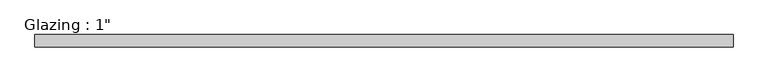
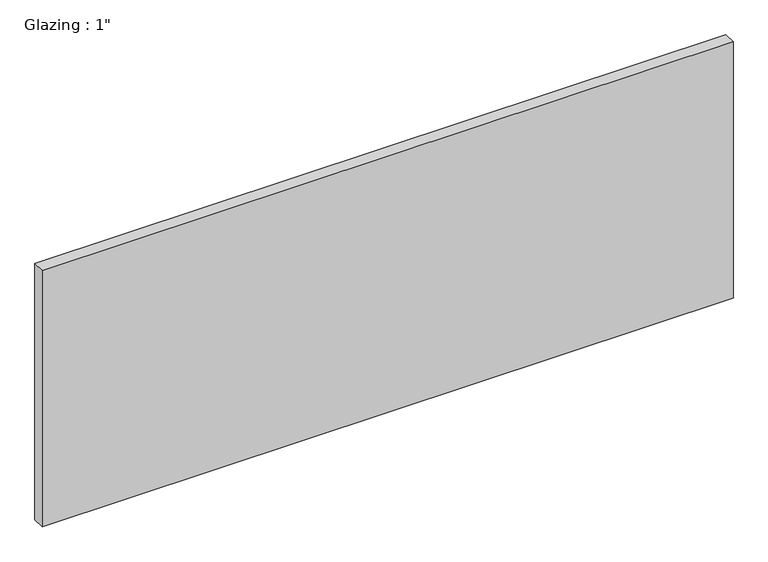
"""IFC4 building model written with IfcOpenShell, lengths in millimetres: plate geometry."""

import ifcopenshell
import ifcopenshell.guid

model = None  # the IFC model being written
_history = None  # IfcOwnerHistory: only IFC2X3 demands one
_inside = {}  # id of a spatial element -> (the spatial element, [elements in it])
_under = {}  # id of a project, library or spatial element -> (it, [spatial elements below it])
_declared = {}  # id of a project -> (the project, [libraries it declares])
_typed = {}  # id of a type object -> (the type object, [elements of that type])
_made_of = {}  # id of a material, layer set ... -> (it, [elements and type objects made of it])


def new_model(schema):
    """Start an empty IFC model of exactly this schema.

    Asked for "IFC4X3", IfcOpenShell would pick the latest addendum, in which some entities
    have other attributes; the version numbers below select the first issue.
    IFC2X3 requires an IfcOwnerHistory on every rooted entity: one is made here for all.
    """
    global model, _history
    if schema == "IFC4X3":
        model = ifcopenshell.file(schema_version=(4, 3, 0, 0))
    else:
        model = ifcopenshell.file(schema=schema)
    _inside.clear()
    _under.clear()
    _declared.clear()
    _typed.clear()
    _made_of.clear()
    _history = None
    if model.schema == "IFC2X3":
        org = make("IfcOrganization", Name="unknown")
        user = make(
            "IfcPersonAndOrganization",
            ThePerson=make("IfcPerson", FamilyName="unknown"),
            TheOrganization=org,
        )
        app = make(
            "IfcApplication",
            ApplicationDeveloper=org,
            Version="unknown",
            ApplicationFullName="unknown",
            ApplicationIdentifier="unknown",
        )
        _history = make(
            "IfcOwnerHistory",
            OwningUser=user,
            OwningApplication=app,
            ChangeAction="ADDED",
            CreationDate=0,
        )
    return model


def make(cls, **values):
    """One entity of the class cls with the attributes given. An attribute that is None is left unset."""
    return model.create_entity(
        cls, **{name: value for name, value in values.items() if value is not None}
    )


def rooted(cls, **values):
    """An entity with a GlobalId (a new one), such as an element, a storey or a relation."""
    return make(cls, GlobalId=ifcopenshell.guid.new(), OwnerHistory=_history, **values)


def si_unit(unit_type, name, prefix=None):
    """IfcSIUnit, for example si_unit("LENGTHUNIT", "METRE", prefix="MILLI")."""
    return make("IfcSIUnit", UnitType=unit_type, Prefix=prefix, Name=name)


def assignment(units):
    """IfcUnitAssignment: the units of a project."""
    return None if units is None else make("IfcUnitAssignment", Units=units)


def point(xyz):
    """IfcCartesianPoint."""
    return None if xyz is None else make("IfcCartesianPoint", Coordinates=xyz)


def direction(xyz):
    """IfcDirection."""
    return None if xyz is None else make("IfcDirection", DirectionRatios=xyz)


def frame(location, z_axis=None, x_axis=None):
    """IfcAxis2Placement3D, a coordinate frame: its origin and axes. An axis left out is left unset."""
    return make(
        "IfcAxis2Placement3D",
        Location=point(location),
        Axis=direction(z_axis),
        RefDirection=direction(x_axis),
    )


def origin():
    """The frame at (0, 0, 0) with its axes left unset."""
    return frame((0.0, 0.0, 0.0))


def origin_with_axes():
    """The frame at (0, 0, 0) with the z axis (0, 0, 1) and the x axis (1, 0, 0) written out."""
    return frame((0.0, 0.0, 0.0), z_axis=(0.0, 0.0, 1.0), x_axis=(1.0, 0.0, 0.0))


def place(relative_to, where):
    """IfcLocalPlacement: puts the frame where relative to a parent placement (None: the world)."""
    return make(
        "IfcLocalPlacement", PlacementRelTo=relative_to, RelativePlacement=where
    )


def context(
    kind, dimensions, precision=None, world=None, true_north=None, identifier=None
):
    """IfcGeometricRepresentationContext, for example the 3D "Model" context."""
    return make(
        "IfcGeometricRepresentationContext",
        ContextIdentifier=identifier,
        ContextType=kind,
        CoordinateSpaceDimension=dimensions,
        Precision=precision,
        WorldCoordinateSystem=world,
        TrueNorth=true_north,
    )


def project(units=None, contexts=None):
    """IfcProject with its units and contexts."""
    return rooted(
        "IfcProject",
        Name="project",
        RepresentationContexts=contexts,
        UnitsInContext=assignment(units),
    )


def spatial(cls, under=None, at=None, **own):
    """A site, building, storey or space (cls), placed at a placement, below another one or the project."""
    s = rooted(cls, ObjectPlacement=at, **own)
    if under is not None:
        _under.setdefault(under.id(), (under, []))[1].append(s)
    return s


def polyline(points):
    """IfcPolyline through the points."""
    return make("IfcPolyline", Points=[point(p) for p in points])


def outline(outer, holes=None, kind="AREA"):
    """IfcArbitraryClosedProfileDef: a profile drawn as a closed curve; with holes, ...WithVoids."""
    if holes is None:
        return make("IfcArbitraryClosedProfileDef", ProfileType=kind, OuterCurve=outer)
    return make(
        "IfcArbitraryProfileDefWithVoids",
        ProfileType=kind,
        OuterCurve=outer,
        InnerCurves=holes,
    )


def extrude(swept, where, along, depth):
    """IfcExtrudedAreaSolid: the profile swept, set in the frame where, extruded along a direction by depth."""
    return make(
        "IfcExtrudedAreaSolid",
        SweptArea=swept,
        Position=where,
        ExtrudedDirection=direction(along),
        Depth=depth,
    )


def shape(context_of_items, identifier, shape_type, items):
    """IfcShapeRepresentation: the items that make up one representation, for example the "Body"."""
    return make(
        "IfcShapeRepresentation",
        ContextOfItems=context_of_items,
        RepresentationIdentifier=identifier,
        RepresentationType=shape_type,
        Items=items,
    )


def source(mapping_origin, context_of_items, identifier, shape_type, items):
    """IfcRepresentationMap: a shape defined once, which mapped items show again and again."""
    return make(
        "IfcRepresentationMap",
        MappingOrigin=mapping_origin,
        MappedRepresentation=shape(context_of_items, identifier, shape_type, items),
    )


def transform(
    local_origin,
    x_axis=None,
    y_axis=None,
    z_axis=None,
    scale=None,
    scale2=None,
    scale3=None,
    uniform=True,
):
    """IfcCartesianTransformationOperator3D, or its non-uniform kind. x_axis, y_axis, z_axis: its Axis1, 2, 3."""
    if uniform:
        return make(
            "IfcCartesianTransformationOperator3D",
            Axis1=direction(x_axis),
            Axis2=direction(y_axis),
            LocalOrigin=point(local_origin),
            Scale=scale,
            Axis3=direction(z_axis),
        )
    return make(
        "IfcCartesianTransformationOperator3DnonUniform",
        Axis1=direction(x_axis),
        Axis2=direction(y_axis),
        LocalOrigin=point(local_origin),
        Scale=scale,
        Axis3=direction(z_axis),
        Scale2=scale2,
        Scale3=scale3,
    )


def mapped(mapping_source, mapping_target):
    """IfcMappedItem: shows the shape of a source again, moved by a transform."""
    return make(
        "IfcMappedItem", MappingSource=mapping_source, MappingTarget=mapping_target
    )


def made_of(thing, what):
    """Note that an element or type object is made of a material, layer set ...; save() writes the relation."""
    if what is not None:
        _made_of.setdefault(what.id(), (what, []))[1].append(thing)
    return thing


def element(
    cls,
    number,
    at=None,
    inside=None,
    cuts=None,
    type_object=None,
    material=None,
    context=None,
    identifier="Body",
    shape_type=None,
    held_by="IfcProductDefinitionShape",
    body=None,
    shapes=None,
    **own,
):
    """One element of the class cls, such as IfcWall. Its Tag is "e" and its number.

    at: its placement. inside: the storey or other place that contains it. cuts: it is an
    opening in that element (IfcRelVoidsElement). A single representation is given by context,
    identifier, shape_type and body (its items); several are given by shapes. held_by: the class
    of the entity that holds the representations. save() writes the other relations.
    """
    e = rooted(cls, Tag="e%d" % number, ObjectPlacement=at, **own)
    if body is not None:
        shapes = [shape(context, identifier, shape_type, body)]
    if shapes is not None:
        e.Representation = make(held_by, Representations=shapes)
    if inside is not None:
        _inside.setdefault(inside.id(), (inside, []))[1].append(e)
    if cuts is not None:
        rooted(
            "IfcRelVoidsElement", RelatingBuildingElement=cuts, RelatedOpeningElement=e
        )
    if type_object is not None:
        _typed.setdefault(type_object.id(), (type_object, []))[1].append(e)
    return made_of(e, material)


def aggregate(whole, parts):
    """IfcRelAggregates: a whole, such as a stair, and the parts it consists of."""
    return rooted("IfcRelAggregates", RelatingObject=whole, RelatedObjects=parts)


def save(model, path):
    """Write the relations noted so far, then the file.

    IfcRelAggregates (storeys below a building ...), IfcRelContainedInSpatialStructure (elements
    in a storey), IfcRelDefinesByType, IfcRelAssociatesMaterial and IfcRelDeclares: one each for
    every whole, place, type object, material and project.
    """
    for whole, parts in _under.values():
        aggregate(whole, parts)
    for where, things in _inside.values():
        rooted(
            "IfcRelContainedInSpatialStructure",
            RelatedElements=things,
            RelatingStructure=where,
        )
    for kind, things in _typed.values():
        rooted("IfcRelDefinesByType", RelatedObjects=things, RelatingType=kind)
    for what, things in _made_of.values():
        rooted("IfcRelAssociatesMaterial", RelatedObjects=things, RelatingMaterial=what)
    for by, libraries in _declared.values():
        rooted("IfcRelDeclares", RelatingContext=by, RelatedDefinitions=libraries)
    model.write(path)


def plate_d5122de1(model_context):
    return source(origin(), model_context, "Body", "SweptSolid", [
        extrude(outline(polyline([(713.8074708, -12.7), (-713.8074708, -12.7), (-713.8074708, 12.7), (713.8074708, 12.7), (713.8074708, -12.7)])), origin_with_axes(), (0.0, 0.0, 1.0), 560.0039722),
    ])


if __name__ == "__main__":
    model = new_model("IFC4")
    model_context = context("Model", 3, world=origin())
    ifc_project = project(units=[si_unit("LENGTHUNIT", "METRE", prefix="MILLI")], contexts=[model_context])
    site = spatial("IfcSite", under=ifc_project)
    building = spatial("IfcBuilding", under=site)
    placement = place(None, origin())
    plate_shape = plate_d5122de1(model_context)
    element("IfcPlate", 1, ObjectType="Glazing : 1\"", at=placement, inside=building, context=model_context, shape_type="MappedRepresentation", body=[
        mapped(plate_shape, transform((0.0, 0.0, 0.0), x_axis=(1.0, 0.0, 0.0), y_axis=(0.0, 1.0, 0.0), z_axis=(0.0, 0.0, 1.0))),
    ])
    save(model, "model.ifc")
